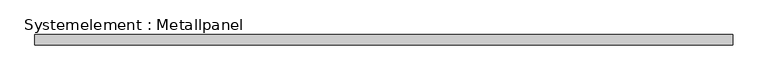
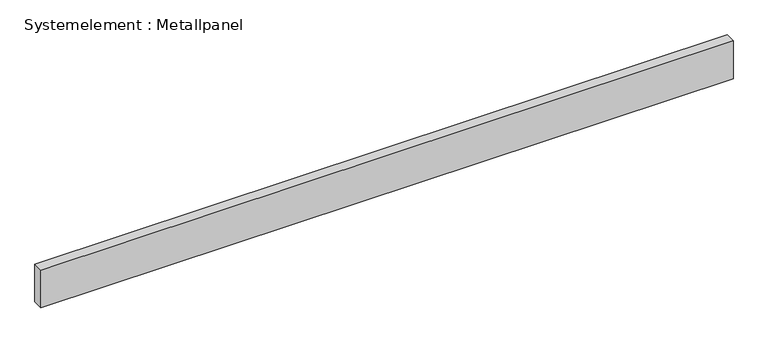
"""IFC4 building model written with IfcOpenShell, lengths in millimetres: plate geometry, Systemelement : Metallpanel."""

from ifc_helpers import new_model, si_unit, origin, origin_with_axes, place, context, project, spatial, polyline, outline, extrude, source, transform, mapped, element, save


def systemelement_metallpanel_92a2e350(model_context):
    return source(origin(), model_context, "Body", "SweptSolid", [
        extrude(outline(polyline([(1000.0, -15.0), (-1000.0, -15.0), (-1000.0, 15.0), (1000.0, 15.0), (1000.0, -15.0)])), origin_with_axes(), (0.0, 0.0, 1.0), 115.0),
    ])


if __name__ == "__main__":
    model = new_model("IFC4")
    model_context = context("Model", 3, world=origin())
    ifc_project = project(units=[si_unit("LENGTHUNIT", "METRE", prefix="MILLI")], contexts=[model_context])
    site = spatial("IfcSite", under=ifc_project)
    building = spatial("IfcBuilding", under=site)
    placement = place(None, origin())
    systemelement_metallpanel_shape = systemelement_metallpanel_92a2e350(model_context)
    element("IfcPlate", 1, ObjectType="Systemelement : Metallpanel", at=placement, inside=building, context=model_context, shape_type="MappedRepresentation", body=[
        mapped(systemelement_metallpanel_shape, transform((0.0, 0.0, 0.0), x_axis=(1.0, 0.0, 0.0), y_axis=(0.0, 1.0, 0.0), z_axis=(0.0, 0.0, 1.0))),
    ])
    save(model, "model.ifc")
